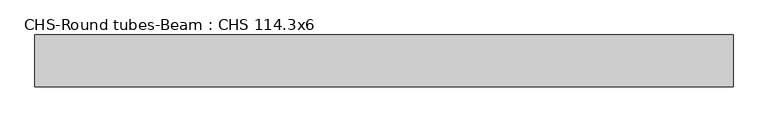
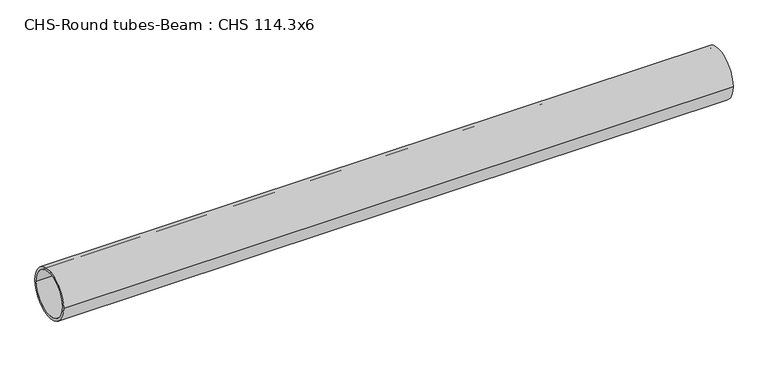
"""IFC4 building model written with IfcOpenShell, lengths in millimetres: beam geometry, CHS-Round tubes-Beam : CHS 114.3x6."""

from ifc_helpers import new_model, si_unit, point, frame, origin, origin_2d, place, context, project, spatial, circle_curve, trimmed, segment, composite_curve, outline, extrude, source, transform, mapped, element, save


def chs_round_tubes_beam_chs_114_3x6_91f022b4(model_context):
    return source(origin(), model_context, "Body", "SweptSolid", [
        extrude(outline(composite_curve([segment(trimmed(circle_curve(origin_2d(), 57.15), [point((57.15, 0.0))], [point((-57.15, 0.0))], False, "CARTESIAN"), True, "CONTINUOUS"), segment(trimmed(circle_curve(origin_2d(), 57.15), [point((-57.15, 0.0))], [point((57.15, 0.0))], False, "CARTESIAN"), True, "CONTINUOUS")], self_intersect=False), holes=[composite_curve([segment(trimmed(circle_curve(origin_2d(), 51.15), [point((51.15, 0.0))], [point((-51.15, 0.0))], True, "CARTESIAN"), True, "CONTINUOUS"), segment(trimmed(circle_curve(origin_2d(), 51.15), [point((-51.15, 0.0))], [point((51.15, 0.0))], True, "CARTESIAN"), True, "CONTINUOUS")], self_intersect=False)]), frame((-782.672663, 0.0, 0.0), z_axis=(1.0, 0.0, 0.0), x_axis=(0.0, 1.0, 0.0)), (0.0, 0.0, 1.0), 1539.6303161),
    ])


if __name__ == "__main__":
    model = new_model("IFC4")
    model_context = context("Model", 3, world=origin())
    ifc_project = project(units=[si_unit("LENGTHUNIT", "METRE", prefix="MILLI")], contexts=[model_context])
    site = spatial("IfcSite", under=ifc_project)
    building = spatial("IfcBuilding", under=site)
    placement = place(None, origin())
    chs_round_tubes_beam_chs_114_3x6_shape = chs_round_tubes_beam_chs_114_3x6_91f022b4(model_context)
    element("IfcBeam", 1, ObjectType="CHS-Round tubes-Beam : CHS 114.3x6", at=placement, inside=building, context=model_context, shape_type="MappedRepresentation", body=[
        mapped(chs_round_tubes_beam_chs_114_3x6_shape, transform((0.0, 0.0, 0.0), x_axis=(1.0, 0.0, 0.0), y_axis=(0.0, 1.0, 0.0), z_axis=(0.0, 0.0, 1.0))),
    ])
    save(model, "model.ifc")
